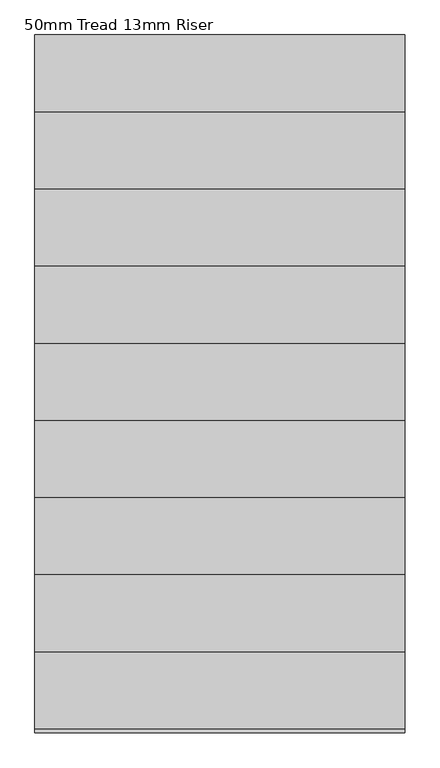
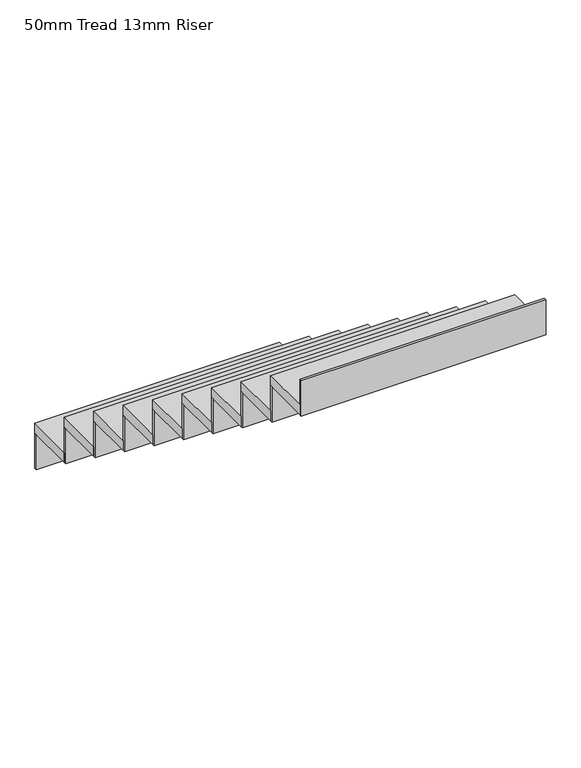
"""IFC4 building model written with IfcOpenShell, lengths in millimetres: stair flight geometry, 50mm Tread 13mm Riser."""

from ifc_helpers import new_model, si_unit, frame, origin, place, context, project, spatial, polyline, outline, extrude, source, transform, mapped, element, save


def stair_flight_50mm_tread_13mm_riser_17076f43(model_context):
    return source(origin(), model_context, "Body", "SweptSolid", [
        extrude(outline(polyline([(16413.6731966, 7946.1449078), (16413.6731966, 7958.6449078), (17613.6731966, 7958.6449078), (17613.6731966, 7946.1449078), (16413.6731966, 7946.1449078)])), frame((0.0, 0.0, 7225.0), z_axis=(0.0, 0.0, 1.0), x_axis=(1.0, 0.0, 0.0)), (0.0, 0.0, 1.0), 182.5),
        extrude(outline(polyline([(17613.6731966, 7708.6449078), (16413.6731966, 7708.6449078), (16413.6731966, 7958.6449078), (17613.6731966, 7958.6449078), (17613.6731966, 7708.6449078)])), frame((0.0, 0.0, 7407.5), z_axis=(0.0, 0.0, 1.0), x_axis=(1.0, 0.0, 0.0)), (0.0, 0.0, 1.0), 50.0),
        extrude(outline(polyline([(16413.6731966, 7696.1449078), (16413.6731966, 7708.6449078), (17613.6731966, 7708.6449078), (17613.6731966, 7696.1449078), (16413.6731966, 7696.1449078)])), frame((0.0, 0.0, 7407.5), z_axis=(0.0, 0.0, 1.0), x_axis=(1.0, 0.0, 0.0)), (0.0, 0.0, 1.0), 182.5),
        extrude(outline(polyline([(17613.6731966, 7458.6449078), (16413.6731966, 7458.6449078), (16413.6731966, 7708.6449078), (17613.6731966, 7708.6449078), (17613.6731966, 7458.6449078)])), frame((0.0, 0.0, 7590.0), z_axis=(0.0, 0.0, 1.0), x_axis=(1.0, 0.0, 0.0)), (0.0, 0.0, 1.0), 50.0),
        extrude(outline(polyline([(16413.6731966, 7446.1449078), (16413.6731966, 7458.6449078), (17613.6731966, 7458.6449078), (17613.6731966, 7446.1449078), (16413.6731966, 7446.1449078)])), frame((0.0, 0.0, 7590.0), z_axis=(0.0, 0.0, 1.0), x_axis=(1.0, 0.0, 0.0)), (0.0, 0.0, 1.0), 182.5),
        extrude(outline(polyline([(17613.6731966, 7208.6449078), (16413.6731966, 7208.6449078), (16413.6731966, 7458.6449078), (17613.6731966, 7458.6449078), (17613.6731966, 7208.6449078)])), frame((0.0, 0.0, 7772.5), z_axis=(0.0, 0.0, 1.0), x_axis=(1.0, 0.0, 0.0)), (0.0, 0.0, 1.0), 50.0),
        extrude(outline(polyline([(16413.6731966, 7196.1449078), (16413.6731966, 7208.6449078), (17613.6731966, 7208.6449078), (17613.6731966, 7196.1449078), (16413.6731966, 7196.1449078)])), frame((0.0, 0.0, 7772.5), z_axis=(0.0, 0.0, 1.0), x_axis=(1.0, 0.0, 0.0)), (0.0, 0.0, 1.0), 182.5),
        extrude(outline(polyline([(17613.6731966, 6958.6449078), (16413.6731966, 6958.6449078), (16413.6731966, 7208.6449078), (17613.6731966, 7208.6449078), (17613.6731966, 6958.6449078)])), frame((0.0, 0.0, 7955.0), z_axis=(0.0, 0.0, 1.0), x_axis=(1.0, 0.0, 0.0)), (0.0, 0.0, 1.0), 50.0),
        extrude(outline(polyline([(16413.6731966, 6946.1449078), (16413.6731966, 6958.6449078), (17613.6731966, 6958.6449078), (17613.6731966, 6946.1449078), (16413.6731966, 6946.1449078)])), frame((0.0, 0.0, 7955.0), z_axis=(0.0, 0.0, 1.0), x_axis=(1.0, 0.0, 0.0)), (0.0, 0.0, 1.0), 182.5),
        extrude(outline(polyline([(17613.6731966, 6708.6449078), (16413.6731966, 6708.6449078), (16413.6731966, 6958.6449078), (17613.6731966, 6958.6449078), (17613.6731966, 6708.6449078)])), frame((0.0, 0.0, 8137.5), z_axis=(0.0, 0.0, 1.0), x_axis=(1.0, 0.0, 0.0)), (0.0, 0.0, 1.0), 50.0),
        extrude(outline(polyline([(16413.6731966, 6696.1449078), (16413.6731966, 6708.6449078), (17613.6731966, 6708.6449078), (17613.6731966, 6696.1449078), (16413.6731966, 6696.1449078)])), frame((0.0, 0.0, 8137.5), z_axis=(0.0, 0.0, 1.0), x_axis=(1.0, 0.0, 0.0)), (0.0, 0.0, 1.0), 182.5),
        extrude(outline(polyline([(17613.6731966, 6458.6449078), (16413.6731966, 6458.6449078), (16413.6731966, 6708.6449078), (17613.6731966, 6708.6449078), (17613.6731966, 6458.6449078)])), frame((0.0, 0.0, 8320.0), z_axis=(0.0, 0.0, 1.0), x_axis=(1.0, 0.0, 0.0)), (0.0, 0.0, 1.0), 50.0),
        extrude(outline(polyline([(16413.6731966, 6446.1449078), (16413.6731966, 6458.6449078), (17613.6731966, 6458.6449078), (17613.6731966, 6446.1449078), (16413.6731966, 6446.1449078)])), frame((0.0, 0.0, 8320.0), z_axis=(0.0, 0.0, 1.0), x_axis=(1.0, 0.0, 0.0)), (0.0, 0.0, 1.0), 182.5),
        extrude(outline(polyline([(17613.6731966, 6208.6449078), (16413.6731966, 6208.6449078), (16413.6731966, 6458.6449078), (17613.6731966, 6458.6449078), (17613.6731966, 6208.6449078)])), frame((0.0, 0.0, 8502.5), z_axis=(0.0, 0.0, 1.0), x_axis=(1.0, 0.0, 0.0)), (0.0, 0.0, 1.0), 50.0),
        extrude(outline(polyline([(16413.6731966, 6196.1449078), (16413.6731966, 6208.6449078), (17613.6731966, 6208.6449078), (17613.6731966, 6196.1449078), (16413.6731966, 6196.1449078)])), frame((0.0, 0.0, 8502.5), z_axis=(0.0, 0.0, 1.0), x_axis=(1.0, 0.0, 0.0)), (0.0, 0.0, 1.0), 182.5),
        extrude(outline(polyline([(17613.6731966, 5958.6449078), (16413.6731966, 5958.6449078), (16413.6731966, 6208.6449078), (17613.6731966, 6208.6449078), (17613.6731966, 5958.6449078)])), frame((0.0, 0.0, 8685.0), z_axis=(0.0, 0.0, 1.0), x_axis=(1.0, 0.0, 0.0)), (0.0, 0.0, 1.0), 50.0),
        extrude(outline(polyline([(16413.6731966, 5946.1449078), (16413.6731966, 5958.6449078), (17613.6731966, 5958.6449078), (17613.6731966, 5946.1449078), (16413.6731966, 5946.1449078)])), frame((0.0, 0.0, 8685.0), z_axis=(0.0, 0.0, 1.0), x_axis=(1.0, 0.0, 0.0)), (0.0, 0.0, 1.0), 182.5),
        extrude(outline(polyline([(17613.6731966, 5708.6449078), (16413.6731966, 5708.6449078), (16413.6731966, 5958.6449078), (17613.6731966, 5958.6449078), (17613.6731966, 5708.6449078)])), frame((0.0, 0.0, 8867.5), z_axis=(0.0, 0.0, 1.0), x_axis=(1.0, 0.0, 0.0)), (0.0, 0.0, 1.0), 50.0),
        extrude(outline(polyline([(16413.6731966, 5696.1449078), (16413.6731966, 5708.6449078), (17613.6731966, 5708.6449078), (17613.6731966, 5696.1449078), (16413.6731966, 5696.1449078)])), frame((0.0, 0.0, 8867.5), z_axis=(0.0, 0.0, 1.0), x_axis=(1.0, 0.0, 0.0)), (0.0, 0.0, 1.0), 182.5),
    ])


if __name__ == "__main__":
    model = new_model("IFC4")
    model_context = context("Model", 3, world=origin())
    ifc_project = project(units=[si_unit("LENGTHUNIT", "METRE", prefix="MILLI")], contexts=[model_context])
    site = spatial("IfcSite", under=ifc_project)
    building = spatial("IfcBuilding", under=site)
    placement = place(None, origin())
    stair_flight_50mm_tread_13mm_riser_shape = stair_flight_50mm_tread_13mm_riser_17076f43(model_context)
    element("IfcStairFlight", 1, ObjectType="50mm Tread 13mm Riser", at=placement, inside=building, context=model_context, shape_type="MappedRepresentation", body=[
        mapped(stair_flight_50mm_tread_13mm_riser_shape, transform((0.0, 0.0, 0.0), x_axis=(1.0, 0.0, 0.0), y_axis=(0.0, 1.0, 0.0), z_axis=(0.0, 0.0, 1.0))),
    ])
    save(model, "model.ifc")
